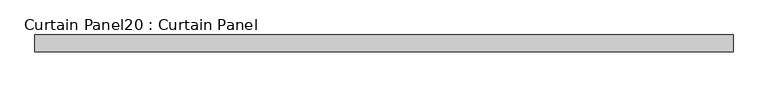
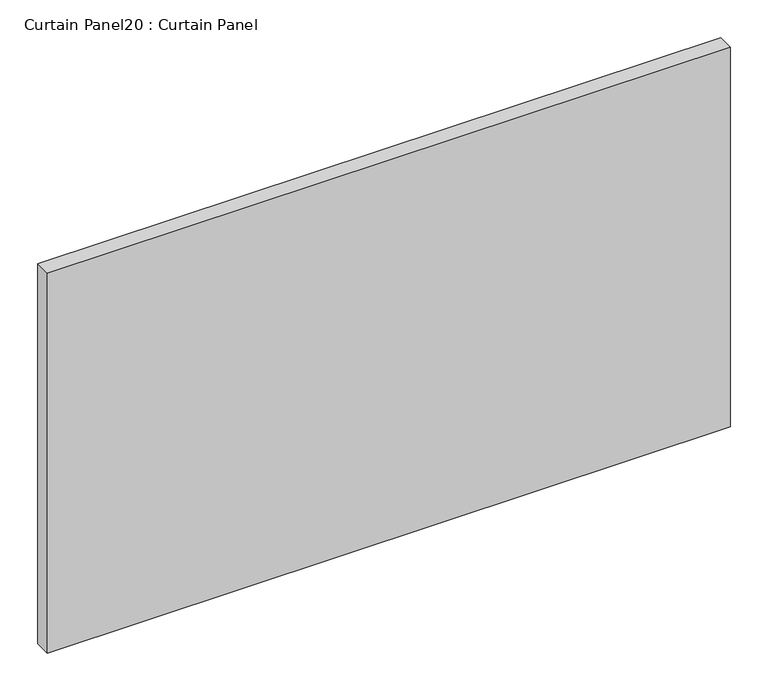
"""IFC4 building model written with IfcOpenShell, lengths in millimetres: plate geometry, Curtain Panel20 : Curtain Panel."""

from ifc_helpers import new_model, si_unit, frame, origin, place, context, project, spatial, polyline, outline, extrude, source, transform, mapped, element, save


def curtain_panel20_curtain_panel_edeb6bf8(model_context):
    return source(origin(), model_context, "Body", "SweptSolid", [
        extrude(outline(polyline([(2482.7959131, 3568.3617926), (1437.1623895, 3568.3617926), (1437.1623895, 3593.7617926), (2482.7959131, 3593.7617926), (2482.7959131, 3568.3617926)])), frame((0.0, 0.0, 39.798625), z_axis=(0.0, 0.0, 1.0), x_axis=(1.0, 0.0, 0.0)), (0.0, 0.0, 1.0), 614.6694167),
    ])


if __name__ == "__main__":
    model = new_model("IFC4")
    model_context = context("Model", 3, world=origin())
    ifc_project = project(units=[si_unit("LENGTHUNIT", "METRE", prefix="MILLI")], contexts=[model_context])
    site = spatial("IfcSite", under=ifc_project)
    building = spatial("IfcBuilding", under=site)
    placement = place(None, origin())
    curtain_panel20_curtain_panel_shape = curtain_panel20_curtain_panel_edeb6bf8(model_context)
    element("IfcPlate", 1, ObjectType="Curtain Panel20 : Curtain Panel", at=placement, inside=building, context=model_context, shape_type="MappedRepresentation", body=[
        mapped(curtain_panel20_curtain_panel_shape, transform((0.0, 0.0, 0.0), x_axis=(1.0, 0.0, 0.0), y_axis=(0.0, 1.0, 0.0), z_axis=(0.0, 0.0, 1.0))),
    ])
    save(model, "model.ifc")
